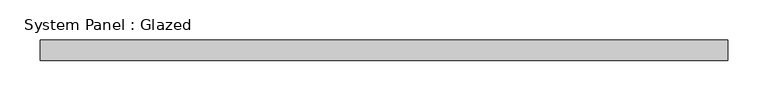
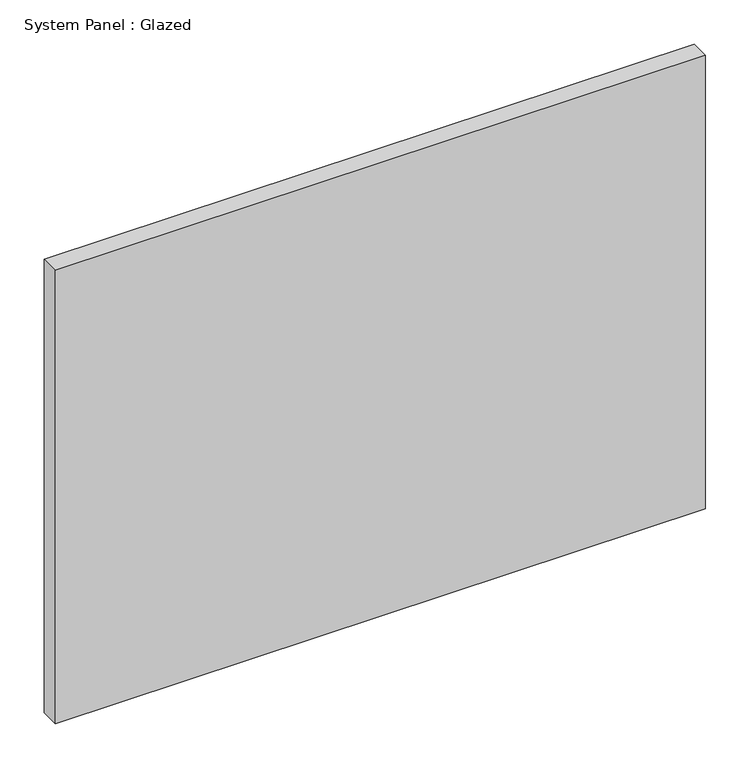
"""IFC4 building model written with IfcOpenShell, lengths in millimetres: plate geometry, System Panel : Glazed."""

from ifc_helpers import new_model, si_unit, origin, origin_with_axes, place, context, project, spatial, polyline, outline, extrude, source, transform, mapped, element, save


def system_panel_glazed_f9ed8f18(model_context):
    return source(origin(), model_context, "Body", "SweptSolid", [
        extrude(outline(polyline([(425.0, 24.5), (-425.0, 24.5), (-425.0, 49.5), (425.0, 49.5), (425.0, 24.5)])), origin_with_axes(), (0.0, 0.0, 1.0), 626.6666667),
    ])


if __name__ == "__main__":
    model = new_model("IFC4")
    model_context = context("Model", 3, world=origin())
    ifc_project = project(units=[si_unit("LENGTHUNIT", "METRE", prefix="MILLI")], contexts=[model_context])
    site = spatial("IfcSite", under=ifc_project)
    building = spatial("IfcBuilding", under=site)
    placement = place(None, origin())
    system_panel_glazed_shape = system_panel_glazed_f9ed8f18(model_context)
    element("IfcPlate", 1, ObjectType="System Panel : Glazed", at=placement, inside=building, context=model_context, shape_type="MappedRepresentation", body=[
        mapped(system_panel_glazed_shape, transform((0.0, 0.0, 0.0), x_axis=(1.0, 0.0, 0.0), y_axis=(0.0, 1.0, 0.0), z_axis=(0.0, 0.0, 1.0))),
    ])
    save(model, "model.ifc")
